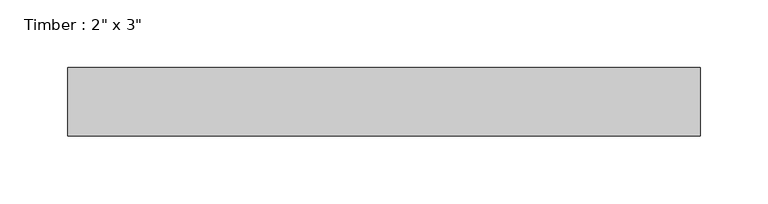
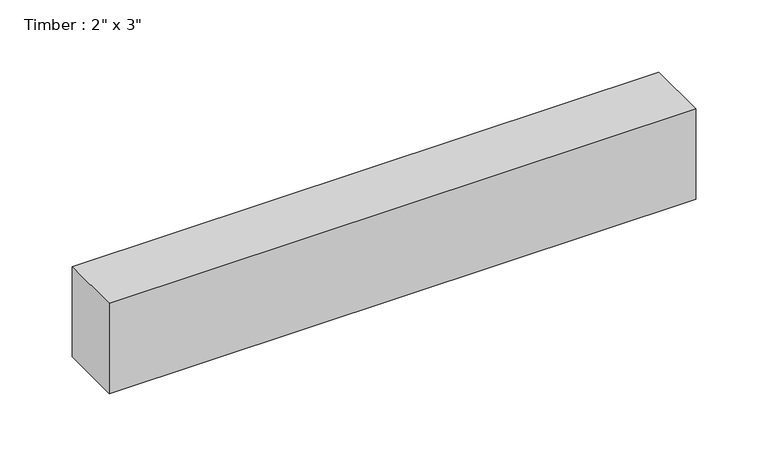
"""IFC4 building model written with IfcOpenShell, lengths in millimetres: beam geometry."""

from ifc_helpers import new_model, si_unit, frame, origin, place, context, project, spatial, polyline, outline, extrude, source, transform, mapped, element, save


def beam_708c6e7b(model_context):
    return source(origin(), model_context, "Body", "SweptSolid", [
        extrude(outline(polyline([(233.7933756, -25.4), (-233.7933756, -25.4), (-233.7933756, 25.4), (233.7933756, 25.4), (233.7933756, -25.4)])), frame((0.0, 0.0, -38.1), z_axis=(0.0, 0.0, 1.0), x_axis=(1.0, 0.0, 0.0)), (0.0, 0.0, 1.0), 76.2),
    ])


if __name__ == "__main__":
    model = new_model("IFC4")
    model_context = context("Model", 3, world=origin())
    ifc_project = project(units=[si_unit("LENGTHUNIT", "METRE", prefix="MILLI")], contexts=[model_context])
    site = spatial("IfcSite", under=ifc_project)
    building = spatial("IfcBuilding", under=site)
    placement = place(None, origin())
    beam_shape = beam_708c6e7b(model_context)
    element("IfcBeam", 1, ObjectType="Timber : 2\" x 3\"", at=placement, inside=building, context=model_context, shape_type="MappedRepresentation", body=[
        mapped(beam_shape, transform((0.0, 0.0, 0.0), x_axis=(1.0, 0.0, 0.0), y_axis=(0.0, 1.0, 0.0), z_axis=(0.0, 0.0, 1.0))),
    ])
    save(model, "model.ifc")
